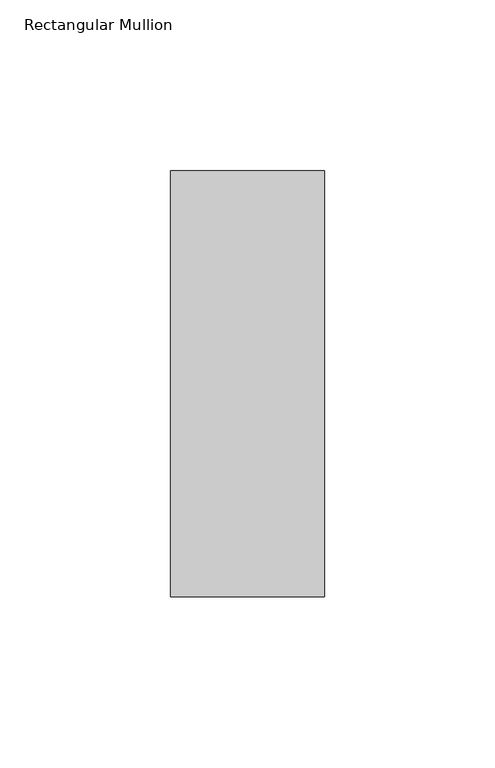
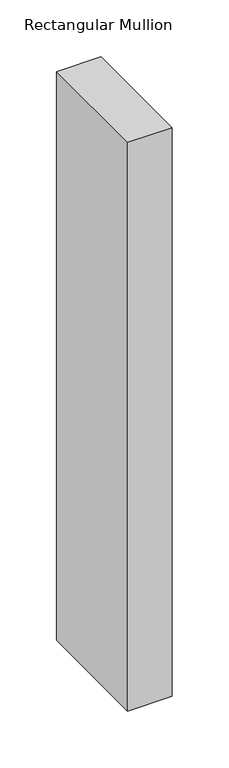
"""IFC4 building model written with IfcOpenShell, lengths in millimetres: member geometry, Rectangular Mullion."""

from ifc_helpers import new_model, si_unit, frame, origin, place, context, project, spatial, polyline, outline, extrude, source, transform, mapped, element, save


def rectangular_mullion_7c71305d(model_context):
    return source(origin(), model_context, "Body", "SweptSolid", [
        extrude(outline(polyline([(22.5, -77.84375), (-22.5, -77.84375), (-22.5, 46.84375), (22.5, 46.84375), (22.5, -77.84375)])), frame((0.0, 0.0, -609.6), z_axis=(0.0, 0.0, 1.0), x_axis=(1.0, 0.0, 0.0)), (0.0, 0.0, 1.0), 609.6),
    ])


if __name__ == "__main__":
    model = new_model("IFC4")
    model_context = context("Model", 3, world=origin())
    ifc_project = project(units=[si_unit("LENGTHUNIT", "METRE", prefix="MILLI")], contexts=[model_context])
    site = spatial("IfcSite", under=ifc_project)
    building = spatial("IfcBuilding", under=site)
    placement = place(None, origin())
    rectangular_mullion_shape = rectangular_mullion_7c71305d(model_context)
    element("IfcMember", 1, ObjectType="Rectangular Mullion", at=placement, inside=building, context=model_context, shape_type="MappedRepresentation", body=[
        mapped(rectangular_mullion_shape, transform((0.0, 0.0, 0.0), x_axis=(1.0, 0.0, 0.0), y_axis=(0.0, 1.0, 0.0), z_axis=(0.0, 0.0, 1.0))),
    ])
    save(model, "model.ifc")
